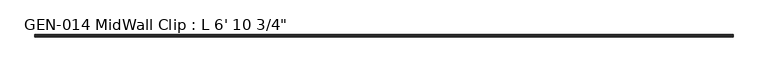
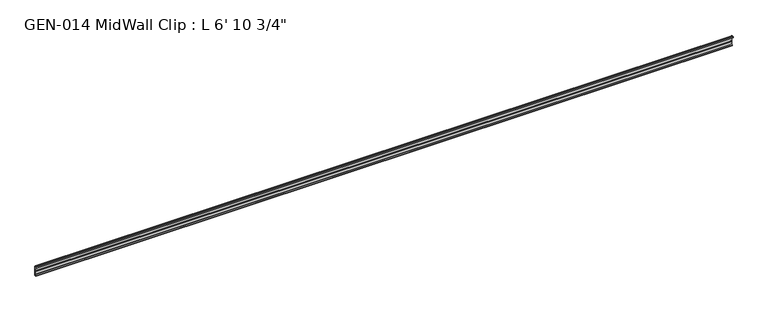
"""IFC4 building model written with IfcOpenShell, lengths in millimetres: proxy geometry."""

from ifc_helpers import new_model, si_unit, point, frame, frame_2d, origin, place, context, project, spatial, polyline, circle_curve, trimmed, segment, composite_curve, outline, extrude, source, transform, mapped, element, save


def proxy_2eb9179d(model_context):
    return source(origin(), model_context, "Body", "SweptSolid", [
        extrude(outline(composite_curve([segment(polyline([(2.1386113, 32.1158903), (3.9735584, 32.6885982)]), True, "CONTINUOUS"), segment(trimmed(circle_curve(frame_2d((4.1838513, 32.2686835)), 0.4696291), [point((3.9735584, 32.6885982))], [point((4.6534804, 32.2686835))], False, "CARTESIAN"), True, "CONTINUOUS"), segment(polyline([(4.6534804, 32.2686835), (4.6534804, 30.7270734)]), True, "CONTINUOUS"), segment(trimmed(circle_curve(frame_2d((6.2409804, 30.7270734)), 1.5875), [point((4.6534804, 30.7270734))], [point((6.2409804, 29.1395734))], True, "CARTESIAN"), True, "CONTINUOUS"), segment(polyline([(6.2409804, 29.1395734), (7.5485426, 29.1395734), (7.5485426, 0.0), (4.055874, 0.0), (4.055874, 1.6102595)]), True, "CONTINUOUS"), segment(trimmed(circle_curve(frame_2d((4.0560426, 3.5152595)), 1.905), [point((4.055874, 1.6102595))], [point((5.9610426, 3.5152595))], True, "CARTESIAN"), True, "CONTINUOUS"), segment(polyline([(5.9610426, 3.5152595), (5.9610426, 4.6343152), (5.9610426, 12.4909614), (6.4702065, 13.408381), (6.4702065, 14.7485418), (5.9610426, 15.6659614), (5.9610426, 26.8535734)]), True, "CONTINUOUS"), segment(trimmed(circle_curve(frame_2d((5.4530426, 26.8535734)), 0.508), [point((5.9610426, 26.8535734))], [point((5.4361592, 27.3612928))], True, "CARTESIAN"), True, "CONTINUOUS"), segment(trimmed(circle_curve(frame_2d((5.4154804, 26.5995734)), 0.762), [point((5.4361592, 27.3612928))], [point((4.6764599, 26.4138515))], True, "CARTESIAN"), True, "CONTINUOUS"), segment(trimmed(circle_curve(frame_2d((4.1230664, 26.2747792)), 0.5706009), [point((4.6764599, 26.4138515))], [point((3.9349539, 25.7360779))], False, "CARTESIAN"), True, "CONTINUOUS"), segment(polyline([(3.9349539, 25.7360779), (2.1386113, 26.2967369)]), True, "CONTINUOUS"), segment(trimmed(circle_curve(frame_2d((3.0467234, 29.2063136)), 3.048), [point((2.1386113, 26.2967369))], [point((0.4447727, 30.7938136))], False, "CARTESIAN"), True, "CONTINUOUS"), segment(trimmed(circle_curve(frame_2d((3.0467234, 29.2063136)), 3.048), [point((0.4447727, 30.7938136))], [point((2.1386113, 32.1158903))], False, "CARTESIAN"), True, "CONTINUOUS")], self_intersect=False)), frame((-1797.05, 0.0, 0.0), z_axis=(1.0, 0.0, 0.0), x_axis=(0.0, 1.0, 0.0)), (0.0, 0.0, 1.0), 2101.85),
    ])


if __name__ == "__main__":
    model = new_model("IFC4")
    model_context = context("Model", 3, world=origin())
    ifc_project = project(units=[si_unit("LENGTHUNIT", "METRE", prefix="MILLI")], contexts=[model_context])
    site = spatial("IfcSite", under=ifc_project)
    building = spatial("IfcBuilding", under=site)
    placement = place(None, origin())
    proxy_shape = proxy_2eb9179d(model_context)
    element("IfcBuildingElementProxy", 1, Name="GEN-014 MidWall Clip : L 6' 10 3/4\"", ObjectType="GEN-014 MidWall Clip : L 6' 10 3/4\"", at=placement, inside=building, context=model_context, shape_type="MappedRepresentation", body=[
        mapped(proxy_shape, transform((0.0, 0.0, 0.0), x_axis=(1.0, 0.0, 0.0), y_axis=(0.0, 1.0, 0.0), z_axis=(0.0, 0.0, 1.0))),
    ])
    save(model, "model.ifc")
